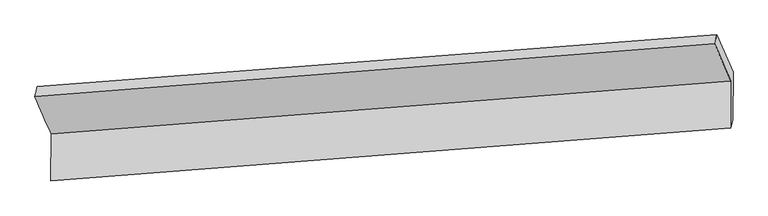
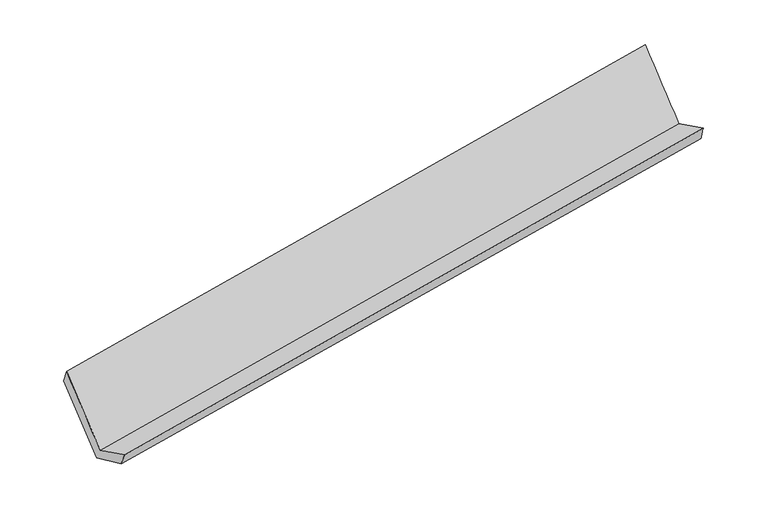
"""IFC4 building model written with IfcOpenShell, lengths in millimetres: proxy geometry."""

import ifcopenshell
import ifcopenshell.guid

model = None  # the IFC model being written
_history = None  # IfcOwnerHistory: only IFC2X3 demands one
_inside = {}  # id of a spatial element -> (the spatial element, [elements in it])
_under = {}  # id of a project, library or spatial element -> (it, [spatial elements below it])
_declared = {}  # id of a project -> (the project, [libraries it declares])
_typed = {}  # id of a type object -> (the type object, [elements of that type])
_made_of = {}  # id of a material, layer set ... -> (it, [elements and type objects made of it])


def new_model(schema):
    """Start an empty IFC model of exactly this schema.

    Asked for "IFC4X3", IfcOpenShell would pick the latest addendum, in which some entities
    have other attributes; the version numbers below select the first issue.
    IFC2X3 requires an IfcOwnerHistory on every rooted entity: one is made here for all.
    """
    global model, _history
    if schema == "IFC4X3":
        model = ifcopenshell.file(schema_version=(4, 3, 0, 0))
    else:
        model = ifcopenshell.file(schema=schema)
    _inside.clear()
    _under.clear()
    _declared.clear()
    _typed.clear()
    _made_of.clear()
    _history = None
    if model.schema == "IFC2X3":
        org = make("IfcOrganization", Name="unknown")
        user = make(
            "IfcPersonAndOrganization",
            ThePerson=make("IfcPerson", FamilyName="unknown"),
            TheOrganization=org,
        )
        app = make(
            "IfcApplication",
            ApplicationDeveloper=org,
            Version="unknown",
            ApplicationFullName="unknown",
            ApplicationIdentifier="unknown",
        )
        _history = make(
            "IfcOwnerHistory",
            OwningUser=user,
            OwningApplication=app,
            ChangeAction="ADDED",
            CreationDate=0,
        )
    return model


def make(cls, **values):
    """One entity of the class cls with the attributes given. An attribute that is None is left unset."""
    return model.create_entity(
        cls, **{name: value for name, value in values.items() if value is not None}
    )


def rooted(cls, **values):
    """An entity with a GlobalId (a new one), such as an element, a storey or a relation."""
    return make(cls, GlobalId=ifcopenshell.guid.new(), OwnerHistory=_history, **values)


def si_unit(unit_type, name, prefix=None):
    """IfcSIUnit, for example si_unit("LENGTHUNIT", "METRE", prefix="MILLI")."""
    return make("IfcSIUnit", UnitType=unit_type, Prefix=prefix, Name=name)


def assignment(units):
    """IfcUnitAssignment: the units of a project."""
    return None if units is None else make("IfcUnitAssignment", Units=units)


def point(xyz):
    """IfcCartesianPoint."""
    return None if xyz is None else make("IfcCartesianPoint", Coordinates=xyz)


def direction(xyz):
    """IfcDirection."""
    return None if xyz is None else make("IfcDirection", DirectionRatios=xyz)


def frame(location, z_axis=None, x_axis=None):
    """IfcAxis2Placement3D, a coordinate frame: its origin and axes. An axis left out is left unset."""
    return make(
        "IfcAxis2Placement3D",
        Location=point(location),
        Axis=direction(z_axis),
        RefDirection=direction(x_axis),
    )


def origin():
    """The frame at (0, 0, 0) with its axes left unset."""
    return frame((0.0, 0.0, 0.0))


def place(relative_to, where):
    """IfcLocalPlacement: puts the frame where relative to a parent placement (None: the world)."""
    return make(
        "IfcLocalPlacement", PlacementRelTo=relative_to, RelativePlacement=where
    )


def context(
    kind, dimensions, precision=None, world=None, true_north=None, identifier=None
):
    """IfcGeometricRepresentationContext, for example the 3D "Model" context."""
    return make(
        "IfcGeometricRepresentationContext",
        ContextIdentifier=identifier,
        ContextType=kind,
        CoordinateSpaceDimension=dimensions,
        Precision=precision,
        WorldCoordinateSystem=world,
        TrueNorth=true_north,
    )


def project(units=None, contexts=None):
    """IfcProject with its units and contexts."""
    return rooted(
        "IfcProject",
        Name="project",
        RepresentationContexts=contexts,
        UnitsInContext=assignment(units),
    )


def spatial(cls, under=None, at=None, **own):
    """A site, building, storey or space (cls), placed at a placement, below another one or the project."""
    s = rooted(cls, ObjectPlacement=at, **own)
    if under is not None:
        _under.setdefault(under.id(), (under, []))[1].append(s)
    return s


def shape(context_of_items, identifier, shape_type, items):
    """IfcShapeRepresentation: the items that make up one representation, for example the "Body"."""
    return make(
        "IfcShapeRepresentation",
        ContextOfItems=context_of_items,
        RepresentationIdentifier=identifier,
        RepresentationType=shape_type,
        Items=items,
    )


def source(mapping_origin, context_of_items, identifier, shape_type, items):
    """IfcRepresentationMap: a shape defined once, which mapped items show again and again."""
    return make(
        "IfcRepresentationMap",
        MappingOrigin=mapping_origin,
        MappedRepresentation=shape(context_of_items, identifier, shape_type, items),
    )


def transform(
    local_origin,
    x_axis=None,
    y_axis=None,
    z_axis=None,
    scale=None,
    scale2=None,
    scale3=None,
    uniform=True,
):
    """IfcCartesianTransformationOperator3D, or its non-uniform kind. x_axis, y_axis, z_axis: its Axis1, 2, 3."""
    if uniform:
        return make(
            "IfcCartesianTransformationOperator3D",
            Axis1=direction(x_axis),
            Axis2=direction(y_axis),
            LocalOrigin=point(local_origin),
            Scale=scale,
            Axis3=direction(z_axis),
        )
    return make(
        "IfcCartesianTransformationOperator3DnonUniform",
        Axis1=direction(x_axis),
        Axis2=direction(y_axis),
        LocalOrigin=point(local_origin),
        Scale=scale,
        Axis3=direction(z_axis),
        Scale2=scale2,
        Scale3=scale3,
    )


def mapped(mapping_source, mapping_target):
    """IfcMappedItem: shows the shape of a source again, moved by a transform."""
    return make(
        "IfcMappedItem", MappingSource=mapping_source, MappingTarget=mapping_target
    )


def made_of(thing, what):
    """Note that an element or type object is made of a material, layer set ...; save() writes the relation."""
    if what is not None:
        _made_of.setdefault(what.id(), (what, []))[1].append(thing)
    return thing


def element(
    cls,
    number,
    at=None,
    inside=None,
    cuts=None,
    type_object=None,
    material=None,
    context=None,
    identifier="Body",
    shape_type=None,
    held_by="IfcProductDefinitionShape",
    body=None,
    shapes=None,
    **own,
):
    """One element of the class cls, such as IfcWall. Its Tag is "e" and its number.

    at: its placement. inside: the storey or other place that contains it. cuts: it is an
    opening in that element (IfcRelVoidsElement). A single representation is given by context,
    identifier, shape_type and body (its items); several are given by shapes. held_by: the class
    of the entity that holds the representations. save() writes the other relations.
    """
    e = rooted(cls, Tag="e%d" % number, ObjectPlacement=at, **own)
    if body is not None:
        shapes = [shape(context, identifier, shape_type, body)]
    if shapes is not None:
        e.Representation = make(held_by, Representations=shapes)
    if inside is not None:
        _inside.setdefault(inside.id(), (inside, []))[1].append(e)
    if cuts is not None:
        rooted(
            "IfcRelVoidsElement", RelatingBuildingElement=cuts, RelatedOpeningElement=e
        )
    if type_object is not None:
        _typed.setdefault(type_object.id(), (type_object, []))[1].append(e)
    return made_of(e, material)


def aggregate(whole, parts):
    """IfcRelAggregates: a whole, such as a stair, and the parts it consists of."""
    return rooted("IfcRelAggregates", RelatingObject=whole, RelatedObjects=parts)


def save(model, path):
    """Write the relations noted so far, then the file.

    IfcRelAggregates (storeys below a building ...), IfcRelContainedInSpatialStructure (elements
    in a storey), IfcRelDefinesByType, IfcRelAssociatesMaterial and IfcRelDeclares: one each for
    every whole, place, type object, material and project.
    """
    for whole, parts in _under.values():
        aggregate(whole, parts)
    for where, things in _inside.values():
        rooted(
            "IfcRelContainedInSpatialStructure",
            RelatedElements=things,
            RelatingStructure=where,
        )
    for kind, things in _typed.values():
        rooted("IfcRelDefinesByType", RelatedObjects=things, RelatingType=kind)
    for what, things in _made_of.values():
        rooted("IfcRelAssociatesMaterial", RelatedObjects=things, RelatingMaterial=what)
    for by, libraries in _declared.values():
        rooted("IfcRelDeclares", RelatingContext=by, RelatedDefinitions=libraries)
    model.write(path)


def plane_surface(at):
    """IfcPlane: the flat surface through the origin of the frame at, square to its z axis."""
    return make("IfcPlane", Position=at)


def spline_surface(u_degree, v_degree, points, u_multiplicities, v_multiplicities, u_knots, v_knots, weights=None):
    """IfcBSplineSurfaceWithKnots; with weights, IfcRationalBSplineSurfaceWithKnots. points: one row for each step in u."""
    own = dict(
        UDegree=u_degree,
        VDegree=v_degree,
        ControlPointsList=[[point(p) for p in row] for row in points],
        SurfaceForm="UNSPECIFIED",
        UClosed=False,
        VClosed=False,
        SelfIntersect=False,
        UMultiplicities=u_multiplicities,
        VMultiplicities=v_multiplicities,
        UKnots=u_knots,
        VKnots=v_knots,
        KnotSpec="UNSPECIFIED",
    )
    if weights is None:
        return make("IfcBSplineSurfaceWithKnots", **own)
    return make("IfcRationalBSplineSurfaceWithKnots", WeightsData=weights, **own)


def advanced_brep(points, edges, surfaces, faces):
    """IfcAdvancedBrep: a solid bounded by faces that lie on surfaces and meet in shared edges.

    An edge is (start, end): straight between two places in points (the first is 0);
    or (start, end, curve); or (start, end, curve, False) where it runs against its curve.
    A face is (place in surfaces, loops), or (place, loops, False) where it looks against
    its surface's normal. A loop lists edges by number (the first is 1), with a minus sign
    where the edge is run from its end to its start. The first loop is the outer one.
    """
    corners = [point(p) for p in points]
    vertices = [make("IfcVertexPoint", VertexGeometry=c) for c in corners]
    made = []
    for start, end, *more in edges:
        made.append(
            make(
                "IfcEdgeCurve",
                EdgeStart=vertices[start],
                EdgeEnd=vertices[end],
                EdgeGeometry=more[0] if more else make("IfcPolyline", Points=[corners[start], corners[end]]),
                SameSense=more[1] if len(more) > 1 else True,
            )
        )
    hull = []
    for where, loops, *sense in faces:
        bounds = []
        for j, loop in enumerate(loops):
            ring = [make("IfcOrientedEdge", EdgeElement=made[abs(k) - 1], Orientation=k > 0) for k in loop]
            bounds.append(
                make(
                    "IfcFaceOuterBound" if j == 0 else "IfcFaceBound",
                    Bound=make("IfcEdgeLoop", EdgeList=ring),
                    Orientation=True,
                )
            )
        hull.append(make("IfcAdvancedFace", Bounds=bounds, FaceSurface=surfaces[where], SameSense=sense[0] if sense else True))
    return make("IfcAdvancedBrep", Outer=make("IfcClosedShell", CfsFaces=hull))


def generic_models_7a855276(model_context):
    return source(origin(), model_context, "Body", "AdvancedBrep", [
        advanced_brep(
        [(-5551.0269806, -1432.594036, 1875.3967365), (-5427.7630583, -1719.2728962, 1291.1293664), (-228.5070046, -1313.9334719, 2189.4507825), (-352.346436, -1026.8146506, 2774.61307), (-5428.5649884, -2080.9311532, 1468.412804), (-229.3075398, -1674.9626409, 2366.4258437), (-5412.4489718, -2005.1700169, 1337.9811584), (-211.1108084, -1610.8675561, 2229.7176785), (-5413.3158848, -1638.4389376, 1168.0393554), (-210.3035437, -1246.8034856, 2051.2549208), (-5533.6830125, -1358.4972456, 1738.5760039), (-333.8529333, -960.3571195, 2635.0467116)],
        [
            (0, 1),
            (1, 2),
            (2, 3),
            (3, 0),
            (1, 4),
            (4, 5),
            (5, 2),
            (4, 6),
            (6, 7),
            (7, 5),
            (6, 8),
            (8, 9),
            (9, 7),
            (8, 10),
            (10, 11),
            (11, 9),
            (10, 0),
            (3, 11),
        ],
        [
            spline_surface(1, 1, [[(-5551.0269806, -1432.594036, 1875.3967365), (-352.346436, -1026.8146506, 2774.61307)], [(-5427.7630583, -1719.2728962, 1291.1293664), (-228.5070046, -1313.9334719, 2189.4507825)]], [2, 2], [2, 2], [0.0, 1.0], [0.0, 1.0]),
            plane_surface(frame((-5428.1640233, -1900.1020247, 1379.7710852), z_axis=(-0.18614334710126595, 0.43279712206212856, 0.8820642297841336), x_axis=(-0.001991018345445511, -0.8979189642720659, 0.4401563011550883))),
            spline_surface(1, 1, [[(-5428.5649884, -2080.9311532, 1468.412804), (-229.3075398, -1674.9626409, 2366.4258437)], [(-5412.4489718, -2005.1700169, 1337.9811584), (-211.1108084, -1610.8675561, 2229.7176785)]], [2, 2], [2, 2], [0.0, 1.0], [0.0, 1.0]),
            spline_surface(1, 1, [[(-5412.4489718, -2005.1700169, 1337.9811584), (-211.1108084, -1610.8675561, 2229.7176785)], [(-5413.3158848, -1638.4389376, 1168.0393554), (-210.3035437, -1246.8034856, 2051.2549208)]], [2, 2], [2, 2], [0.0, 1.0], [0.0, 1.0]),
            spline_surface(1, 1, [[(-5413.3158848, -1638.4389376, 1168.0393554), (-210.3035437, -1246.8034856, 2051.2549208)], [(-5533.6830125, -1358.4972456, 1738.5760039), (-333.8529333, -960.3571195, 2635.0467116)]], [2, 2], [2, 2], [0.0, 1.0], [0.0, 1.0]),
            spline_surface(1, 1, [[(-5533.6830125, -1358.4972456, 1738.5760039), (-333.8529333, -960.3571195, 2635.0467116)], [(-5551.0269806, -1432.594036, 1875.3967365), (-352.346436, -1026.8146506, 2774.61307)]], [2, 2], [2, 2], [0.0, 1.0], [0.0, 1.0]),
            plane_surface(frame((-260.904711, -1305.6231541, 2374.4181678), z_axis=(0.9824235018482779, 0.08040135437465606, 0.1684627116927894), x_axis=(-0.18665502635106118, 0.43275530709086707, 0.8819766126845848))),
            plane_surface(frame((-5461.1338161, -1705.8173809, 1479.9225708), z_axis=(-0.9825302141928445, -0.0801535577602156, -0.1679576892450681), x_axis=(0.11078154464062892, 0.47328021091042544, -0.8739183550696367))),
        ],
        [
            (0, [[1, 2, 3, 4]]),
            (1, [[5, 6, 7, -2]]),
            (2, [[8, 9, 10, -6]]),
            (3, [[11, 12, 13, -9]]),
            (4, [[14, 15, 16, -12]]),
            (5, [[17, -4, 18, -15]]),
            (6, [[-16, -18, -3, -7, -10, -13]]),
            (7, [[-17, -14, -11, -8, -5, -1]]),
        ],
    ),
    ])


if __name__ == "__main__":
    model = new_model("IFC4")
    model_context = context("Model", 3, world=origin())
    ifc_project = project(units=[si_unit("LENGTHUNIT", "METRE", prefix="MILLI")], contexts=[model_context])
    site = spatial("IfcSite", under=ifc_project)
    building = spatial("IfcBuilding", under=site)
    placement = place(None, origin())
    generic_models_shape = generic_models_7a855276(model_context)
    element("IfcBuildingElementProxy", 1, Name="Generic Models", at=placement, inside=building, context=model_context, shape_type="MappedRepresentation", body=[
        mapped(generic_models_shape, transform((0.0, 0.0, 0.0), x_axis=(1.0, 0.0, 0.0), y_axis=(0.0, 1.0, 0.0), z_axis=(0.0, 0.0, 1.0))),
    ])
    save(model, "model.ifc")
